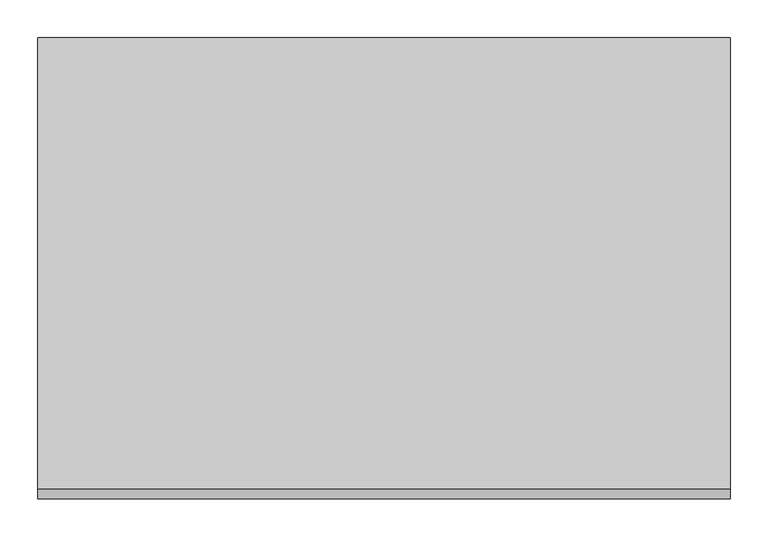
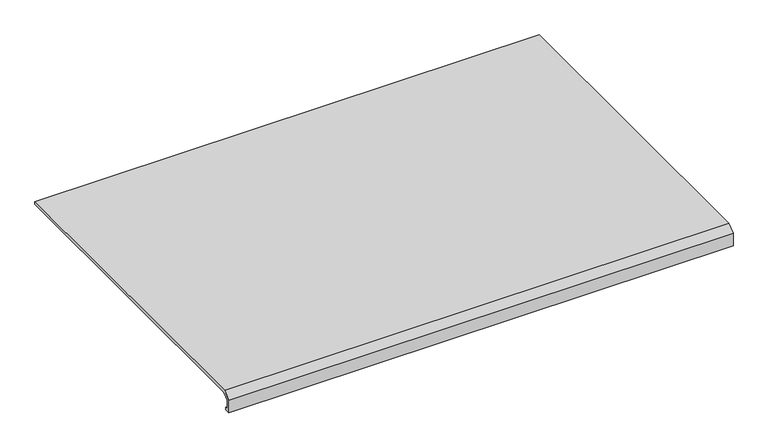
"""IFC4 building model written with IfcOpenShell, lengths in millimetres: furniture geometry."""

import ifcopenshell
import ifcopenshell.guid

model = None  # the IFC model being written
_history = None  # IfcOwnerHistory: only IFC2X3 demands one
_inside = {}  # id of a spatial element -> (the spatial element, [elements in it])
_under = {}  # id of a project, library or spatial element -> (it, [spatial elements below it])
_declared = {}  # id of a project -> (the project, [libraries it declares])
_typed = {}  # id of a type object -> (the type object, [elements of that type])
_made_of = {}  # id of a material, layer set ... -> (it, [elements and type objects made of it])


def new_model(schema):
    """Start an empty IFC model of exactly this schema.

    Asked for "IFC4X3", IfcOpenShell would pick the latest addendum, in which some entities
    have other attributes; the version numbers below select the first issue.
    IFC2X3 requires an IfcOwnerHistory on every rooted entity: one is made here for all.
    """
    global model, _history
    if schema == "IFC4X3":
        model = ifcopenshell.file(schema_version=(4, 3, 0, 0))
    else:
        model = ifcopenshell.file(schema=schema)
    _inside.clear()
    _under.clear()
    _declared.clear()
    _typed.clear()
    _made_of.clear()
    _history = None
    if model.schema == "IFC2X3":
        org = make("IfcOrganization", Name="unknown")
        user = make(
            "IfcPersonAndOrganization",
            ThePerson=make("IfcPerson", FamilyName="unknown"),
            TheOrganization=org,
        )
        app = make(
            "IfcApplication",
            ApplicationDeveloper=org,
            Version="unknown",
            ApplicationFullName="unknown",
            ApplicationIdentifier="unknown",
        )
        _history = make(
            "IfcOwnerHistory",
            OwningUser=user,
            OwningApplication=app,
            ChangeAction="ADDED",
            CreationDate=0,
        )
    return model


def make(cls, **values):
    """One entity of the class cls with the attributes given. An attribute that is None is left unset."""
    return model.create_entity(
        cls, **{name: value for name, value in values.items() if value is not None}
    )


def rooted(cls, **values):
    """An entity with a GlobalId (a new one), such as an element, a storey or a relation."""
    return make(cls, GlobalId=ifcopenshell.guid.new(), OwnerHistory=_history, **values)


def si_unit(unit_type, name, prefix=None):
    """IfcSIUnit, for example si_unit("LENGTHUNIT", "METRE", prefix="MILLI")."""
    return make("IfcSIUnit", UnitType=unit_type, Prefix=prefix, Name=name)


def assignment(units):
    """IfcUnitAssignment: the units of a project."""
    return None if units is None else make("IfcUnitAssignment", Units=units)


def point(xyz):
    """IfcCartesianPoint."""
    return None if xyz is None else make("IfcCartesianPoint", Coordinates=xyz)


def direction(xyz):
    """IfcDirection."""
    return None if xyz is None else make("IfcDirection", DirectionRatios=xyz)


def frame(location, z_axis=None, x_axis=None):
    """IfcAxis2Placement3D, a coordinate frame: its origin and axes. An axis left out is left unset."""
    return make(
        "IfcAxis2Placement3D",
        Location=point(location),
        Axis=direction(z_axis),
        RefDirection=direction(x_axis),
    )


def origin():
    """The frame at (0, 0, 0) with its axes left unset."""
    return frame((0.0, 0.0, 0.0))


def place(relative_to, where):
    """IfcLocalPlacement: puts the frame where relative to a parent placement (None: the world)."""
    return make(
        "IfcLocalPlacement", PlacementRelTo=relative_to, RelativePlacement=where
    )


def context(
    kind, dimensions, precision=None, world=None, true_north=None, identifier=None
):
    """IfcGeometricRepresentationContext, for example the 3D "Model" context."""
    return make(
        "IfcGeometricRepresentationContext",
        ContextIdentifier=identifier,
        ContextType=kind,
        CoordinateSpaceDimension=dimensions,
        Precision=precision,
        WorldCoordinateSystem=world,
        TrueNorth=true_north,
    )


def project(units=None, contexts=None):
    """IfcProject with its units and contexts."""
    return rooted(
        "IfcProject",
        Name="project",
        RepresentationContexts=contexts,
        UnitsInContext=assignment(units),
    )


def spatial(cls, under=None, at=None, **own):
    """A site, building, storey or space (cls), placed at a placement, below another one or the project."""
    s = rooted(cls, ObjectPlacement=at, **own)
    if under is not None:
        _under.setdefault(under.id(), (under, []))[1].append(s)
    return s


def polyline(points):
    """IfcPolyline through the points."""
    return make("IfcPolyline", Points=[point(p) for p in points])


def outline(outer, holes=None, kind="AREA"):
    """IfcArbitraryClosedProfileDef: a profile drawn as a closed curve; with holes, ...WithVoids."""
    if holes is None:
        return make("IfcArbitraryClosedProfileDef", ProfileType=kind, OuterCurve=outer)
    return make(
        "IfcArbitraryProfileDefWithVoids",
        ProfileType=kind,
        OuterCurve=outer,
        InnerCurves=holes,
    )


def extrude(swept, where, along, depth):
    """IfcExtrudedAreaSolid: the profile swept, set in the frame where, extruded along a direction by depth."""
    return make(
        "IfcExtrudedAreaSolid",
        SweptArea=swept,
        Position=where,
        ExtrudedDirection=direction(along),
        Depth=depth,
    )


def shape(context_of_items, identifier, shape_type, items):
    """IfcShapeRepresentation: the items that make up one representation, for example the "Body"."""
    return make(
        "IfcShapeRepresentation",
        ContextOfItems=context_of_items,
        RepresentationIdentifier=identifier,
        RepresentationType=shape_type,
        Items=items,
    )


def source(mapping_origin, context_of_items, identifier, shape_type, items):
    """IfcRepresentationMap: a shape defined once, which mapped items show again and again."""
    return make(
        "IfcRepresentationMap",
        MappingOrigin=mapping_origin,
        MappedRepresentation=shape(context_of_items, identifier, shape_type, items),
    )


def transform(
    local_origin,
    x_axis=None,
    y_axis=None,
    z_axis=None,
    scale=None,
    scale2=None,
    scale3=None,
    uniform=True,
):
    """IfcCartesianTransformationOperator3D, or its non-uniform kind. x_axis, y_axis, z_axis: its Axis1, 2, 3."""
    if uniform:
        return make(
            "IfcCartesianTransformationOperator3D",
            Axis1=direction(x_axis),
            Axis2=direction(y_axis),
            LocalOrigin=point(local_origin),
            Scale=scale,
            Axis3=direction(z_axis),
        )
    return make(
        "IfcCartesianTransformationOperator3DnonUniform",
        Axis1=direction(x_axis),
        Axis2=direction(y_axis),
        LocalOrigin=point(local_origin),
        Scale=scale,
        Axis3=direction(z_axis),
        Scale2=scale2,
        Scale3=scale3,
    )


def mapped(mapping_source, mapping_target):
    """IfcMappedItem: shows the shape of a source again, moved by a transform."""
    return make(
        "IfcMappedItem", MappingSource=mapping_source, MappingTarget=mapping_target
    )


def made_of(thing, what):
    """Note that an element or type object is made of a material, layer set ...; save() writes the relation."""
    if what is not None:
        _made_of.setdefault(what.id(), (what, []))[1].append(thing)
    return thing


def element(
    cls,
    number,
    at=None,
    inside=None,
    cuts=None,
    type_object=None,
    material=None,
    context=None,
    identifier="Body",
    shape_type=None,
    held_by="IfcProductDefinitionShape",
    body=None,
    shapes=None,
    **own,
):
    """One element of the class cls, such as IfcWall. Its Tag is "e" and its number.

    at: its placement. inside: the storey or other place that contains it. cuts: it is an
    opening in that element (IfcRelVoidsElement). A single representation is given by context,
    identifier, shape_type and body (its items); several are given by shapes. held_by: the class
    of the entity that holds the representations. save() writes the other relations.
    """
    e = rooted(cls, Tag="e%d" % number, ObjectPlacement=at, **own)
    if body is not None:
        shapes = [shape(context, identifier, shape_type, body)]
    if shapes is not None:
        e.Representation = make(held_by, Representations=shapes)
    if inside is not None:
        _inside.setdefault(inside.id(), (inside, []))[1].append(e)
    if cuts is not None:
        rooted(
            "IfcRelVoidsElement", RelatingBuildingElement=cuts, RelatedOpeningElement=e
        )
    if type_object is not None:
        _typed.setdefault(type_object.id(), (type_object, []))[1].append(e)
    return made_of(e, material)


def aggregate(whole, parts):
    """IfcRelAggregates: a whole, such as a stair, and the parts it consists of."""
    return rooted("IfcRelAggregates", RelatingObject=whole, RelatedObjects=parts)


def save(model, path):
    """Write the relations noted so far, then the file.

    IfcRelAggregates (storeys below a building ...), IfcRelContainedInSpatialStructure (elements
    in a storey), IfcRelDefinesByType, IfcRelAssociatesMaterial and IfcRelDeclares: one each for
    every whole, place, type object, material and project.
    """
    for whole, parts in _under.values():
        aggregate(whole, parts)
    for where, things in _inside.values():
        rooted(
            "IfcRelContainedInSpatialStructure",
            RelatedElements=things,
            RelatingStructure=where,
        )
    for kind, things in _typed.values():
        rooted("IfcRelDefinesByType", RelatedObjects=things, RelatingType=kind)
    for what, things in _made_of.values():
        rooted("IfcRelAssociatesMaterial", RelatedObjects=things, RelatingMaterial=what)
    for by, libraries in _declared.values():
        rooted("IfcRelDeclares", RelatingContext=by, RelatedDefinitions=libraries)
    model.write(path)


def furniture_96489599(model_context):
    return source(origin(), model_context, "Body", "SweptSolid", [
        extrude(outline(polyline([(-592.5968004, 736.8979469), (-592.5968004, 731.9010136), (-601.9949831, 731.9010136), (-601.9949831, 756.5662454), (-588.5857065, 767.0038128), (7.6050169, 767.0038128), (7.6050169, 762.2413128), (-585.9028639, 762.2413128), (-597.0693135, 753.5672056), (-597.0693135, 736.8979469), (-592.5968004, 736.8979469)])), frame((-12.7, 0.0, 0.0), z_axis=(1.0, 0.0, 0.0), x_axis=(0.0, 1.0, 0.0)), (0.0, 0.0, 1.0), 914.4),
    ])


if __name__ == "__main__":
    model = new_model("IFC4")
    model_context = context("Model", 3, world=origin())
    ifc_project = project(units=[si_unit("LENGTHUNIT", "METRE", prefix="MILLI")], contexts=[model_context])
    site = spatial("IfcSite", under=ifc_project)
    building = spatial("IfcBuilding", under=site)
    placement = place(None, origin())
    furniture_shape = furniture_96489599(model_context)
    element("IfcFurniture", 1, at=placement, inside=building, context=model_context, shape_type="MappedRepresentation", body=[
        mapped(furniture_shape, transform((0.0, 0.0, 0.0), x_axis=(1.0, 0.0, 0.0), y_axis=(0.0, 1.0, 0.0), z_axis=(0.0, 0.0, 1.0))),
    ])
    save(model, "model.ifc")
